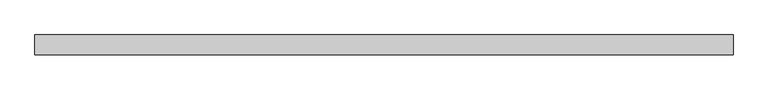
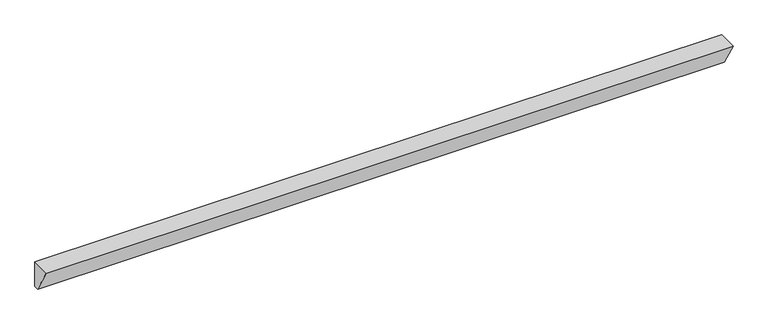
"""IFC4 building model written with IfcOpenShell, lengths in millimetres: beam geometry."""

from ifc_helpers import new_model, si_unit, frame, origin, place, context, project, spatial, polyline, outline, extrude, source, transform, mapped, element, save


def beam_38f2e2f0(model_context):
    return source(origin(), model_context, "Body", "SweptSolid", [
        extrude(outline(polyline([(-75.9, 100.0), (75.9, 100.0), (75.9, -100.0), (39.5700538, -100.0), (-75.9, 100.0)])), frame((-2650.0, 0.0, 0.0), z_axis=(1.0, 0.0, 0.0), x_axis=(0.0, 1.0, 0.0)), (0.0, 0.0, 1.0), 5300.0),
    ])


if __name__ == "__main__":
    model = new_model("IFC4")
    model_context = context("Model", 3, world=origin())
    ifc_project = project(units=[si_unit("LENGTHUNIT", "METRE", prefix="MILLI")], contexts=[model_context])
    site = spatial("IfcSite", under=ifc_project)
    building = spatial("IfcBuilding", under=site)
    placement = place(None, origin())
    beam_shape = beam_38f2e2f0(model_context)
    element("IfcBeam", 1, at=placement, inside=building, context=model_context, shape_type="MappedRepresentation", body=[
        mapped(beam_shape, transform((0.0, 0.0, 0.0), x_axis=(1.0, 0.0, 0.0), y_axis=(0.0, 1.0, 0.0), z_axis=(0.0, 0.0, 1.0))),
    ])
    save(model, "model.ifc")
